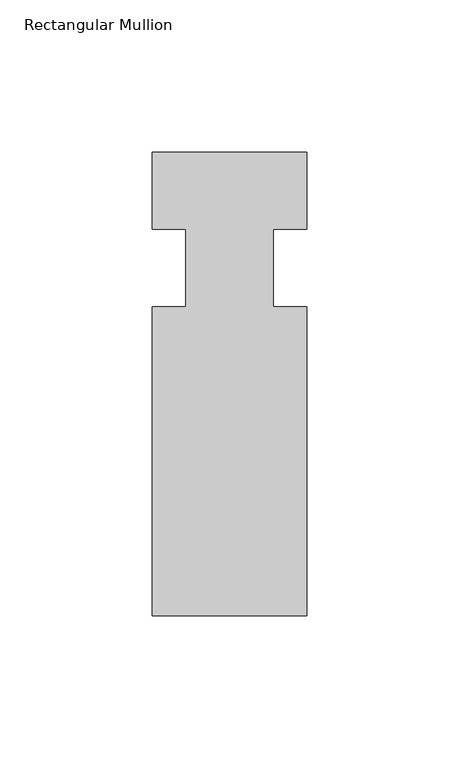
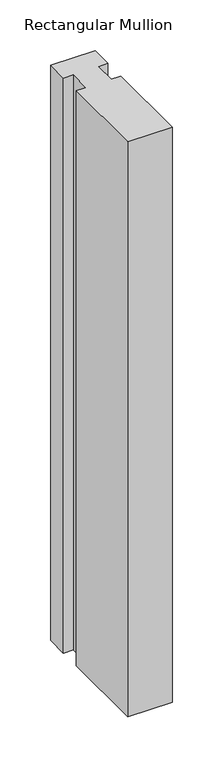
"""IFC4 building model written with IfcOpenShell, lengths in millimetres: member geometry, Rectangular Mullion."""

import ifcopenshell
import ifcopenshell.guid

model = None  # the IFC model being written
_history = None  # IfcOwnerHistory: only IFC2X3 demands one
_inside = {}  # id of a spatial element -> (the spatial element, [elements in it])
_under = {}  # id of a project, library or spatial element -> (it, [spatial elements below it])
_declared = {}  # id of a project -> (the project, [libraries it declares])
_typed = {}  # id of a type object -> (the type object, [elements of that type])
_made_of = {}  # id of a material, layer set ... -> (it, [elements and type objects made of it])


def new_model(schema):
    """Start an empty IFC model of exactly this schema.

    Asked for "IFC4X3", IfcOpenShell would pick the latest addendum, in which some entities
    have other attributes; the version numbers below select the first issue.
    IFC2X3 requires an IfcOwnerHistory on every rooted entity: one is made here for all.
    """
    global model, _history
    if schema == "IFC4X3":
        model = ifcopenshell.file(schema_version=(4, 3, 0, 0))
    else:
        model = ifcopenshell.file(schema=schema)
    _inside.clear()
    _under.clear()
    _declared.clear()
    _typed.clear()
    _made_of.clear()
    _history = None
    if model.schema == "IFC2X3":
        org = make("IfcOrganization", Name="unknown")
        user = make(
            "IfcPersonAndOrganization",
            ThePerson=make("IfcPerson", FamilyName="unknown"),
            TheOrganization=org,
        )
        app = make(
            "IfcApplication",
            ApplicationDeveloper=org,
            Version="unknown",
            ApplicationFullName="unknown",
            ApplicationIdentifier="unknown",
        )
        _history = make(
            "IfcOwnerHistory",
            OwningUser=user,
            OwningApplication=app,
            ChangeAction="ADDED",
            CreationDate=0,
        )
    return model


def make(cls, **values):
    """One entity of the class cls with the attributes given. An attribute that is None is left unset."""
    return model.create_entity(
        cls, **{name: value for name, value in values.items() if value is not None}
    )


def rooted(cls, **values):
    """An entity with a GlobalId (a new one), such as an element, a storey or a relation."""
    return make(cls, GlobalId=ifcopenshell.guid.new(), OwnerHistory=_history, **values)


def si_unit(unit_type, name, prefix=None):
    """IfcSIUnit, for example si_unit("LENGTHUNIT", "METRE", prefix="MILLI")."""
    return make("IfcSIUnit", UnitType=unit_type, Prefix=prefix, Name=name)


def assignment(units):
    """IfcUnitAssignment: the units of a project."""
    return None if units is None else make("IfcUnitAssignment", Units=units)


def point(xyz):
    """IfcCartesianPoint."""
    return None if xyz is None else make("IfcCartesianPoint", Coordinates=xyz)


def direction(xyz):
    """IfcDirection."""
    return None if xyz is None else make("IfcDirection", DirectionRatios=xyz)


def frame(location, z_axis=None, x_axis=None):
    """IfcAxis2Placement3D, a coordinate frame: its origin and axes. An axis left out is left unset."""
    return make(
        "IfcAxis2Placement3D",
        Location=point(location),
        Axis=direction(z_axis),
        RefDirection=direction(x_axis),
    )


def origin():
    """The frame at (0, 0, 0) with its axes left unset."""
    return frame((0.0, 0.0, 0.0))


def place(relative_to, where):
    """IfcLocalPlacement: puts the frame where relative to a parent placement (None: the world)."""
    return make(
        "IfcLocalPlacement", PlacementRelTo=relative_to, RelativePlacement=where
    )


def context(
    kind, dimensions, precision=None, world=None, true_north=None, identifier=None
):
    """IfcGeometricRepresentationContext, for example the 3D "Model" context."""
    return make(
        "IfcGeometricRepresentationContext",
        ContextIdentifier=identifier,
        ContextType=kind,
        CoordinateSpaceDimension=dimensions,
        Precision=precision,
        WorldCoordinateSystem=world,
        TrueNorth=true_north,
    )


def project(units=None, contexts=None):
    """IfcProject with its units and contexts."""
    return rooted(
        "IfcProject",
        Name="project",
        RepresentationContexts=contexts,
        UnitsInContext=assignment(units),
    )


def spatial(cls, under=None, at=None, **own):
    """A site, building, storey or space (cls), placed at a placement, below another one or the project."""
    s = rooted(cls, ObjectPlacement=at, **own)
    if under is not None:
        _under.setdefault(under.id(), (under, []))[1].append(s)
    return s


def polyline(points):
    """IfcPolyline through the points."""
    return make("IfcPolyline", Points=[point(p) for p in points])


def outline(outer, holes=None, kind="AREA"):
    """IfcArbitraryClosedProfileDef: a profile drawn as a closed curve; with holes, ...WithVoids."""
    if holes is None:
        return make("IfcArbitraryClosedProfileDef", ProfileType=kind, OuterCurve=outer)
    return make(
        "IfcArbitraryProfileDefWithVoids",
        ProfileType=kind,
        OuterCurve=outer,
        InnerCurves=holes,
    )


def extrude(swept, where, along, depth):
    """IfcExtrudedAreaSolid: the profile swept, set in the frame where, extruded along a direction by depth."""
    return make(
        "IfcExtrudedAreaSolid",
        SweptArea=swept,
        Position=where,
        ExtrudedDirection=direction(along),
        Depth=depth,
    )


def shape(context_of_items, identifier, shape_type, items):
    """IfcShapeRepresentation: the items that make up one representation, for example the "Body"."""
    return make(
        "IfcShapeRepresentation",
        ContextOfItems=context_of_items,
        RepresentationIdentifier=identifier,
        RepresentationType=shape_type,
        Items=items,
    )


def source(mapping_origin, context_of_items, identifier, shape_type, items):
    """IfcRepresentationMap: a shape defined once, which mapped items show again and again."""
    return make(
        "IfcRepresentationMap",
        MappingOrigin=mapping_origin,
        MappedRepresentation=shape(context_of_items, identifier, shape_type, items),
    )


def transform(
    local_origin,
    x_axis=None,
    y_axis=None,
    z_axis=None,
    scale=None,
    scale2=None,
    scale3=None,
    uniform=True,
):
    """IfcCartesianTransformationOperator3D, or its non-uniform kind. x_axis, y_axis, z_axis: its Axis1, 2, 3."""
    if uniform:
        return make(
            "IfcCartesianTransformationOperator3D",
            Axis1=direction(x_axis),
            Axis2=direction(y_axis),
            LocalOrigin=point(local_origin),
            Scale=scale,
            Axis3=direction(z_axis),
        )
    return make(
        "IfcCartesianTransformationOperator3DnonUniform",
        Axis1=direction(x_axis),
        Axis2=direction(y_axis),
        LocalOrigin=point(local_origin),
        Scale=scale,
        Axis3=direction(z_axis),
        Scale2=scale2,
        Scale3=scale3,
    )


def mapped(mapping_source, mapping_target):
    """IfcMappedItem: shows the shape of a source again, moved by a transform."""
    return make(
        "IfcMappedItem", MappingSource=mapping_source, MappingTarget=mapping_target
    )


def made_of(thing, what):
    """Note that an element or type object is made of a material, layer set ...; save() writes the relation."""
    if what is not None:
        _made_of.setdefault(what.id(), (what, []))[1].append(thing)
    return thing


def element(
    cls,
    number,
    at=None,
    inside=None,
    cuts=None,
    type_object=None,
    material=None,
    context=None,
    identifier="Body",
    shape_type=None,
    held_by="IfcProductDefinitionShape",
    body=None,
    shapes=None,
    **own,
):
    """One element of the class cls, such as IfcWall. Its Tag is "e" and its number.

    at: its placement. inside: the storey or other place that contains it. cuts: it is an
    opening in that element (IfcRelVoidsElement). A single representation is given by context,
    identifier, shape_type and body (its items); several are given by shapes. held_by: the class
    of the entity that holds the representations. save() writes the other relations.
    """
    e = rooted(cls, Tag="e%d" % number, ObjectPlacement=at, **own)
    if body is not None:
        shapes = [shape(context, identifier, shape_type, body)]
    if shapes is not None:
        e.Representation = make(held_by, Representations=shapes)
    if inside is not None:
        _inside.setdefault(inside.id(), (inside, []))[1].append(e)
    if cuts is not None:
        rooted(
            "IfcRelVoidsElement", RelatingBuildingElement=cuts, RelatedOpeningElement=e
        )
    if type_object is not None:
        _typed.setdefault(type_object.id(), (type_object, []))[1].append(e)
    return made_of(e, material)


def aggregate(whole, parts):
    """IfcRelAggregates: a whole, such as a stair, and the parts it consists of."""
    return rooted("IfcRelAggregates", RelatingObject=whole, RelatedObjects=parts)


def save(model, path):
    """Write the relations noted so far, then the file.

    IfcRelAggregates (storeys below a building ...), IfcRelContainedInSpatialStructure (elements
    in a storey), IfcRelDefinesByType, IfcRelAssociatesMaterial and IfcRelDeclares: one each for
    every whole, place, type object, material and project.
    """
    for whole, parts in _under.values():
        aggregate(whole, parts)
    for where, things in _inside.values():
        rooted(
            "IfcRelContainedInSpatialStructure",
            RelatedElements=things,
            RelatingStructure=where,
        )
    for kind, things in _typed.values():
        rooted("IfcRelDefinesByType", RelatedObjects=things, RelatingType=kind)
    for what, things in _made_of.values():
        rooted("IfcRelAssociatesMaterial", RelatedObjects=things, RelatingMaterial=what)
    for by, libraries in _declared.values():
        rooted("IfcRelDeclares", RelatingContext=by, RelatedDefinitions=libraries)
    model.write(path)


def rectangular_mullion_6d291ea0(model_context):
    return source(origin(), model_context, "Body", "SweptSolid", [
        extrude(outline(polyline([(-25.4, 0.0), (25.4, 0.0), (25.4, -25.4), (14.398625, -25.4), (14.398625, -50.8), (25.4, -50.8), (25.4, -152.4), (-25.4, -152.4), (-25.4, -50.8), (-14.398625, -50.8), (-14.398625, -25.4), (-25.4, -25.4), (-25.4, 0.0)])), frame((0.0, 0.0, -694.2668569), z_axis=(0.0, 0.0, 1.0), x_axis=(1.0, 0.0, 0.0)), (0.0, 0.0, 1.0), 694.2668569),
    ])


if __name__ == "__main__":
    model = new_model("IFC4")
    model_context = context("Model", 3, world=origin())
    ifc_project = project(units=[si_unit("LENGTHUNIT", "METRE", prefix="MILLI")], contexts=[model_context])
    site = spatial("IfcSite", under=ifc_project)
    building = spatial("IfcBuilding", under=site)
    placement = place(None, origin())
    rectangular_mullion_shape = rectangular_mullion_6d291ea0(model_context)
    element("IfcMember", 1, ObjectType="Rectangular Mullion", at=placement, inside=building, context=model_context, shape_type="MappedRepresentation", body=[
        mapped(rectangular_mullion_shape, transform((0.0, 0.0, 0.0), x_axis=(1.0, 0.0, 0.0), y_axis=(0.0, 1.0, 0.0), z_axis=(0.0, 0.0, 1.0))),
    ])
    save(model, "model.ifc")
